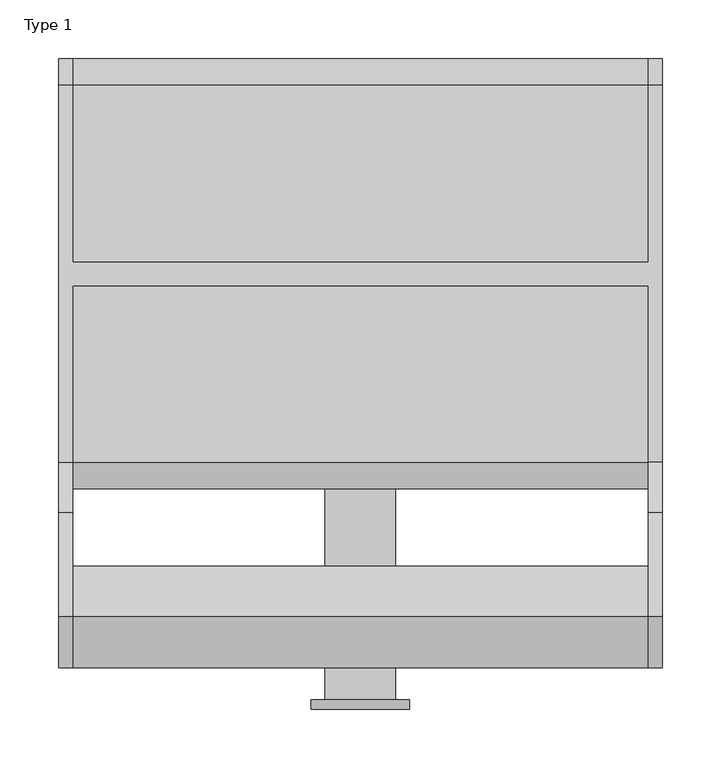
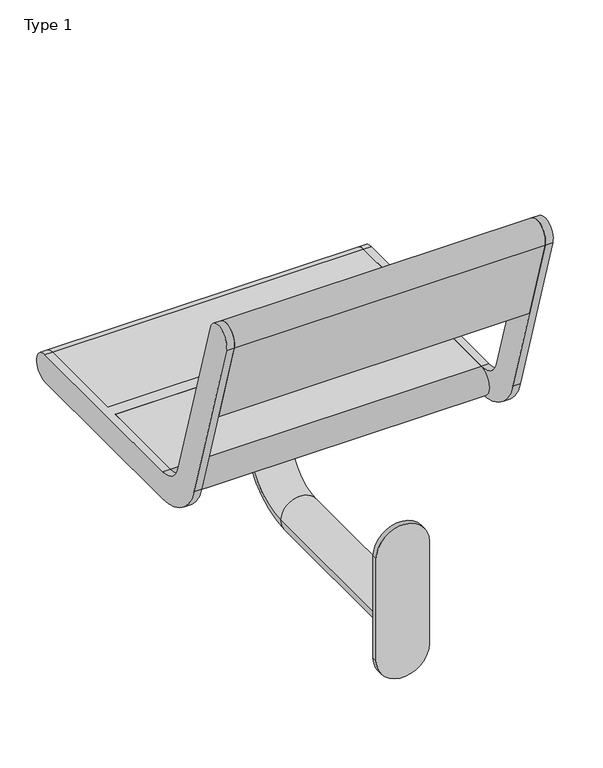
"""IFC4 building model written with IfcOpenShell, lengths in millimetres: furniture geometry, Type 1."""

from ifc_helpers import new_model, si_unit, point, frame, frame_2d, origin, place, context, project, spatial, polyline, circle_curve, ellipse_curve, trimmed, segment, composite_curve, outline, extrude, source, transform, mapped, element, save
from ifc_brep_helpers import plane_surface, cylinder_surface, revolved_surface, advanced_brep


def type_1_19bbdee6(model_context):
    return source(origin(), model_context, "Body", "SolidModel", [
        advanced_brep(
        [(370.0, 178.9624029, 769.6910048), (370.0, 266.966286, 481.8432733), (370.0, 310.0, 450.0), (370.0, 460.5, 450.0), (370.0, 460.5, 405.0), (370.0, 310.0, 405.0), (370.0, 223.932572, 468.6865466), (370.0, 135.9286888, 756.5342781), (370.0, 631.0, 450.0), (370.0, 631.0, 405.0), (370.0, 480.5, 405.0), (370.0, 480.5, 450.0), (382.0, 178.9624029, 769.6910048), (382.0, 135.9286888, 756.5342781), (382.0, 223.932572, 468.6865466), (382.0, 310.0, 405.0), (382.0, 631.0, 405.0), (382.0, 631.0, 450.0), (382.0, 310.0, 450.0), (382.0, 266.966286, 481.8432733), (-120.0, 480.5, 450.0), (-120.0, 631.0, 450.0), (-132.0, 631.0, 450.0), (-132.0, 310.0, 450.0), (-120.0, 310.0, 450.0), (-120.0, 460.5, 450.0), (-120.0, 460.5, 405.0), (-120.0, 310.0, 405.0), (-132.0, 310.0, 405.0), (-132.0, 631.0, 405.0), (-120.0, 631.0, 405.0), (-120.0, 480.5, 405.0), (-132.0, 178.9624029, 769.6910048), (-132.0, 266.966286, 481.8432733), (-132.0, 223.932572, 468.6865466), (-132.0, 135.9286888, 756.5342781), (-120.0, 178.9624029, 769.6910048), (-120.0, 135.9286888, 756.5342781), (-120.0, 223.932572, 468.6865466), (-120.0, 266.966286, 481.8432733)],
        [
            (0, 1),
            (1, 2, circle_curve(frame((370.0, 310.0, 495.0), z_axis=(1.0, 0.0, 0.0), x_axis=(0.0, 1.0, 0.0)), 45.0)),
            (2, 3),
            (3, 4),
            (4, 5),
            (5, 6, circle_curve(frame((370.0, 310.0, 495.0), z_axis=(-1.0, 0.0, 0.0), x_axis=(0.0, 1.0, 0.0)), 90.0)),
            (6, 7),
            (7, 0, circle_curve(frame((370.0, 157.4455459, 763.1126415), z_axis=(-1.0, 0.0, 0.0), x_axis=(0.0, 1.0, 0.0)), 22.5)),
            (8, 9, circle_curve(frame((370.0, 631.0, 427.5), z_axis=(-1.0, 0.0, 0.0), x_axis=(0.0, 1.0, 0.0)), 22.5)),
            (9, 10),
            (10, 11),
            (11, 8),
            (12, 13, circle_curve(frame((382.0, 157.4455459, 763.1126415), z_axis=(1.0, 0.0, 0.0), x_axis=(0.0, 1.0, 0.0)), 22.5)),
            (13, 14),
            (14, 15, circle_curve(frame((382.0, 310.0, 495.0), z_axis=(1.0, 0.0, 0.0), x_axis=(0.0, 1.0, 0.0)), 90.0)),
            (15, 16),
            (16, 17, circle_curve(frame((382.0, 631.0, 427.5), z_axis=(1.0, 0.0, 0.0), x_axis=(0.0, 1.0, 0.0)), 22.5)),
            (17, 18),
            (18, 19, circle_curve(frame((382.0, 310.0, 495.0), z_axis=(-1.0, 0.0, 0.0), x_axis=(0.0, 1.0, 0.0)), 45.0)),
            (19, 12),
            (0, 12),
            (19, 1),
            (18, 2),
            (17, 8),
            (11, 20),
            (20, 21),
            (21, 22),
            (22, 23),
            (23, 24),
            (24, 25),
            (25, 3),
            (15, 5),
            (4, 26),
            (26, 27),
            (27, 28),
            (28, 29),
            (29, 30),
            (30, 31),
            (31, 10),
            (9, 16),
            (14, 6),
            (13, 7),
            (31, 20),
            (25, 26),
            (32, 33),
            (33, 23, circle_curve(frame((-132.0, 310.0, 495.0), z_axis=(1.0, 0.0, 0.0), x_axis=(0.0, 1.0, 0.0)), 45.0)),
            (22, 29, circle_curve(frame((-132.0, 631.0, 427.5), z_axis=(-1.0, 0.0, 0.0), x_axis=(0.0, 1.0, 0.0)), 22.5)),
            (28, 34, circle_curve(frame((-132.0, 310.0, 495.0), z_axis=(-1.0, 0.0, 0.0), x_axis=(0.0, 1.0, 0.0)), 90.0)),
            (34, 35),
            (35, 32, circle_curve(frame((-132.0, 157.4455459, 763.1126415), z_axis=(-1.0, 0.0, 0.0), x_axis=(0.0, 1.0, 0.0)), 22.5)),
            (36, 37, circle_curve(frame((-120.0, 157.4455459, 763.1126415), z_axis=(1.0, 0.0, 0.0), x_axis=(0.0, 1.0, 0.0)), 22.5)),
            (37, 38),
            (38, 27, circle_curve(frame((-120.0, 310.0, 495.0), z_axis=(1.0, 0.0, 0.0), x_axis=(0.0, 1.0, 0.0)), 90.0)),
            (24, 39, circle_curve(frame((-120.0, 310.0, 495.0), z_axis=(-1.0, 0.0, 0.0), x_axis=(0.0, 1.0, 0.0)), 45.0)),
            (39, 36),
            (30, 21, circle_curve(frame((-120.0, 631.0, 427.5), z_axis=(1.0, 0.0, 0.0), x_axis=(0.0, 1.0, 0.0)), 22.5)),
            (32, 36),
            (39, 33),
            (38, 34),
            (37, 35),
        ],
        [
            plane_surface(frame((370.0, 266.966286, 481.8432733), z_axis=(-1.0000000000000002, 0.0, 0.0), x_axis=(0.0, 0.29237170472273394, -0.9563047559630364))),
            plane_surface(frame((382.0, 266.966286, 481.8432733), z_axis=(1.0000000000000002, 0.0, 0.0), x_axis=(0.0, -0.29237170472273394, 0.9563047559630364))),
            plane_surface(frame((370.0, 178.9624029, 769.6910048), z_axis=(0.0, 0.9563047559630364, 0.29237170472273394), x_axis=(1.0, 0.0, 0.0))),
            revolved_surface(polyline([(382.0, 355.0, 495.0), (370.0, 355.0, 495.0)]), (382.0, 310.0, 495.0), (1.0, 0.0, 0.0)),
            plane_surface(frame((370.0, 310.0, 450.0), z_axis=(0.0, 0.0, 1.0), x_axis=(1.0, 0.0, 0.0))),
            plane_surface(frame((370.0, 631.0, 405.0), z_axis=(0.0, 0.0, -1.0), x_axis=(1.0, 0.0, 0.0))),
            cylinder_surface(frame((382.0, 310.0, 495.0), z_axis=(-1.0, 0.0, 0.0), x_axis=(0.0, 1.0, 0.0)), 90.0),
            plane_surface(frame((370.0, 223.932572, 468.6865466), z_axis=(0.0, -0.9563047559630364, -0.29237170472273366), x_axis=(1.0, 0.0, 0.0))),
            cylinder_surface(frame((382.0, 157.4455459, 763.1126415), z_axis=(-1.0, 0.0, 0.0), x_axis=(0.0, 1.0, 0.0)), 22.5),
            cylinder_surface(frame((382.0, 631.0, 427.5), z_axis=(-1.0, 0.0, 0.0), x_axis=(0.0, 1.0, 0.0)), 22.5),
            plane_surface(frame((-120.0, 480.5, 450.0), z_axis=(0.0, 1.0, 0.0), x_axis=(1.0, 0.0, 0.0))),
            plane_surface(frame((-120.0, 460.5, 405.0), z_axis=(0.0, -1.0, 0.0), x_axis=(1.0, 0.0, 0.0))),
            plane_surface(frame((-132.0, 266.966286, 481.8432733), z_axis=(-1.0000000000000002, 0.0, 0.0), x_axis=(0.0, 0.29237170472273394, -0.9563047559630364))),
            plane_surface(frame((-120.0, 266.966286, 481.8432733), z_axis=(1.0000000000000002, 0.0, 0.0), x_axis=(0.0, -0.29237170472273394, 0.9563047559630364))),
            plane_surface(frame((-132.0, 178.9624029, 769.6910048), z_axis=(0.0, 0.9563047559630364, 0.29237170472273394), x_axis=(1.0, 0.0, 0.0))),
            revolved_surface(polyline([(-120.0, 355.0, 495.0), (-132.0, 355.0, 495.0)]), (-120.0, 310.0, 495.0), (1.0, 0.0, 0.0)),
            cylinder_surface(frame((-120.0, 310.0, 495.0), z_axis=(-1.0, 0.0, 0.0), x_axis=(0.0, 1.0, 0.0)), 90.0),
            plane_surface(frame((-132.0, 223.932572, 468.6865466), z_axis=(0.0, -0.9563047559630364, -0.29237170472273366), x_axis=(1.0, 0.0, 0.0))),
            cylinder_surface(frame((-120.0, 157.4455459, 763.1126415), z_axis=(-1.0, 0.0, 0.0), x_axis=(0.0, 1.0, 0.0)), 22.5),
            cylinder_surface(frame((-120.0, 631.0, 427.5), z_axis=(-1.0, 0.0, 0.0), x_axis=(0.0, 1.0, 0.0)), 22.5),
        ],
        [
            (0, [[1, 2, 3, 4, 5, 6, 7, 8]]),
            (0, [[9, 10, 11, 12]]),
            (1, [[13, 14, 15, 16, 17, 18, 19, 20]]),
            (2, [[-1, 21, -20, 22]]),
            (3, [[-2, -22, -19, 23]]),
            (4, [[-18, 24, -12, 25, 26, 27, 28, 29, 30, 31, -3, -23]]),
            (5, [[-16, 32, -5, 33, 34, 35, 36, 37, 38, 39, -10, 40]]),
            (6, [[-6, -32, -15, 41]]),
            (7, [[-7, -41, -14, 42]]),
            (8, [[-8, -42, -13, -21]]),
            (9, [[-9, -24, -17, -40]]),
            (10, [[-25, -11, -39, 43]]),
            (11, [[-31, 44, -33, -4]]),
            (12, [[45, 46, -28, 47, -36, 48, 49, 50]]),
            (13, [[51, 52, 53, -34, -44, -30, 54, 55]]),
            (13, [[56, -26, -43, -38]]),
            (14, [[-45, 57, -55, 58]]),
            (15, [[-46, -58, -54, -29]]),
            (16, [[-48, -35, -53, 59]]),
            (17, [[-49, -59, -52, 60]]),
            (18, [[-50, -60, -51, -57]]),
            (19, [[-47, -27, -56, -37]]),
        ],
    ),
        extrude(outline(composite_curve([segment(polyline([(178.9624029, 769.6910048), (221.5024859, 630.5486628), (178.4687719, 617.3919361), (135.9286888, 756.5342781)]), True, "CONTINUOUS"), segment(trimmed(circle_curve(frame_2d((157.4455459, 763.1126415)), 22.5), [point((135.9286888, 756.5342781))], [point((178.9624029, 769.6910048))], False, "CARTESIAN"), True, "CONTINUOUS")], self_intersect=False)), frame((-120.0, 0.0, 0.0), z_axis=(1.0, 0.0, 0.0), x_axis=(0.0, 1.0, 0.0)), (0.0, 0.0, 1.0), 490.0),
        extrude(outline(composite_curve([segment(polyline([(460.5, 405.0), (310.0, 405.0)]), True, "CONTINUOUS"), segment(trimmed(circle_curve(frame_2d((310.0, 427.5)), 22.5), [point((310.0, 405.0))], [point((310.0, 450.0))], False, "CARTESIAN"), True, "CONTINUOUS"), segment(polyline([(310.0, 450.0), (460.5, 450.0), (460.5, 405.0)]), True, "CONTINUOUS")], self_intersect=False)), frame((-120.0, 0.0, 0.0), z_axis=(1.0, 0.0, 0.0), x_axis=(0.0, 1.0, 0.0)), (0.0, 0.0, 1.0), 490.0),
        extrude(outline(composite_curve([segment(polyline([(480.5, 405.0), (480.5, 450.0), (631.0, 450.0)]), True, "CONTINUOUS"), segment(trimmed(circle_curve(frame_2d((631.0, 427.5)), 22.5), [point((631.0, 450.0))], [point((631.0, 405.0))], False, "CARTESIAN"), True, "CONTINUOUS"), segment(polyline([(631.0, 405.0), (480.5, 405.0)]), True, "CONTINUOUS")], self_intersect=False)), frame((-120.0, 0.0, 0.0), z_axis=(1.0, 0.0, 0.0), x_axis=(0.0, 1.0, 0.0)), (0.0, 0.0, 1.0), 490.0),
        extrude(outline(composite_curve([segment(trimmed(circle_curve(frame_2d((357.0801223, 125.0)), 41.9108501), [point((357.0801223, 166.9108501))], [point((357.0801223, 83.0891499))], False, "CARTESIAN"), True, "CONTINUOUS"), segment(polyline([(357.0801223, 83.0891499), (187.0801223, 83.0891499)]), True, "CONTINUOUS"), segment(trimmed(circle_curve(frame_2d((187.0801223, 125.0)), 41.9108501), [point((187.0801223, 83.0891499))], [point((187.0801223, 166.9108501))], False, "CARTESIAN"), True, "CONTINUOUS"), segment(polyline([(187.0801223, 166.9108501), (357.0801223, 166.9108501)]), True, "CONTINUOUS")], self_intersect=False)), frame((0.0, 100.0, 0.0), z_axis=(0.0, 1.0, 0.0), x_axis=(0.0, 0.0, 1.0)), (0.0, 0.0, 1.0), 8.0),
        advanced_brep(
        [(50.0, 595.0, 405.0), (50.0, 595.0, 389.0), (50.0, 345.0, 389.0), (50.0, 345.0, 405.0), (200.0, 595.0, 405.0), (200.0, 345.0, 405.0), (200.0, 345.0, 389.0), (200.0, 595.0, 389.0), (155.0, 470.0, 389.0), (95.0, 470.0, 389.0), (95.0, 108.0, 246.9999952), (155.0, 108.0, 246.9999952), (95.0, 379.9999981, 246.9999952), (155.0, 379.9999981, 246.9999952), (95.0, 470.0, 336.9999971), (155.0, 470.0, 336.9999971)],
        [
            (0, 1),
            (1, 2),
            (2, 3),
            (3, 0),
            (4, 5),
            (5, 6),
            (6, 7),
            (7, 4),
            (0, 4),
            (7, 1),
            (6, 2),
            (8, 9, circle_curve(frame((125.0, 470.0, 389.0), z_axis=(0.0, 0.0, 1.0), x_axis=(1.0, 0.0, 0.0)), 30.0)),
            (9, 8, circle_curve(frame((125.0, 470.0, 389.0), z_axis=(0.0, 0.0, 1.0), x_axis=(1.0, 0.0, 0.0)), 30.0)),
            (5, 3),
            (10, 11, circle_curve(frame((125.0, 108.0, 246.9999952), z_axis=(0.0, -1.0, 0.0), x_axis=(1.0, 0.0, 0.0)), 30.0)),
            (11, 10, circle_curve(frame((125.0, 108.0, 246.9999952), z_axis=(0.0, -1.0, 0.0), x_axis=(1.0, 0.0, 0.0)), 30.0)),
            (10, 12),
            (12, 13, circle_curve(frame((125.0, 379.9999981, 246.9999952), z_axis=(0.0, -1.0, 0.0), x_axis=(1.0, 0.0, 0.0)), 30.0)),
            (13, 11),
            (13, 12, circle_curve(frame((125.0, 379.9999981, 246.9999952), z_axis=(0.0, -1.0, 0.0), x_axis=(1.0, 0.0, 0.0)), 30.0)),
            (12, 14, circle_curve(frame((95.0, 379.9999981, 336.9999971), z_axis=(1.0, 0.0, 0.0), x_axis=(0.0, 0.0, -1.0)), 90.0000019)),
            (14, 15, circle_curve(frame((125.0, 470.0, 336.9999971), z_axis=(0.0, 0.0, -1.0), x_axis=(1.0, 0.0, 0.0)), 30.0)),
            (15, 13, circle_curve(frame((155.0, 379.9999981, 336.9999971), z_axis=(-1.0, 0.0, 0.0), x_axis=(0.0, 0.0, -1.0)), 90.0000019)),
            (15, 14, circle_curve(frame((125.0, 470.0, 336.9999971), z_axis=(0.0, 0.0, -1.0), x_axis=(1.0, 0.0, 0.0)), 30.0)),
            (14, 9),
            (8, 15),
        ],
        [
            plane_surface(frame((50.0, 595.0, 405.0), z_axis=(-1.0, 0.0, 0.0), x_axis=(0.0, 0.0, -1.0))),
            plane_surface(frame((200.0, 595.0, 405.0), z_axis=(1.0, 0.0, 0.0), x_axis=(0.0, 0.0, 1.0))),
            plane_surface(frame((50.0, 595.0, 405.0), z_axis=(0.0, 1.0, 0.0), x_axis=(1.0, 0.0, 0.0))),
            plane_surface(frame((50.0, 595.0, 389.0), z_axis=(0.0, 0.0, -1.0), x_axis=(1.0, 0.0, 0.0))),
            plane_surface(frame((50.0, 345.0, 389.0), z_axis=(0.0, -1.0, 0.0), x_axis=(1.0, 0.0, 0.0))),
            plane_surface(frame((50.0, 345.0, 405.0), z_axis=(0.0, 0.0, 1.0), x_axis=(1.0, 0.0, 0.0))),
            plane_surface(frame((125.0, 108.0, 246.9999952), z_axis=(0.0, -1.0, 0.0), x_axis=(-1.0, 0.0, 0.0))),
            cylinder_surface(frame((125.0, 108.0, 246.9999952), z_axis=(0.0, -1.0, 0.0), x_axis=(1.0, 0.0, 0.0)), 30.0),
            revolved_surface(trimmed(ellipse_curve(frame((125.0, 379.9999981, 246.9999952), z_axis=(0.0, -1.0, 0.0), x_axis=(1.0, 0.0, 0.0)), 30.0, 30.0), [point((95.0, 379.9999981, 246.9999952))], [point((155.0, 379.9999981, 246.9999952))], True, "CARTESIAN"), (125.0, 379.9999981, 336.9999971), (1.0, 0.0, 0.0)),
            revolved_surface(trimmed(ellipse_curve(frame((125.0, 379.9999981, 246.9999952), z_axis=(0.0, -1.0, 0.0), x_axis=(1.0, 0.0, 0.0)), 30.0, 30.0), [point((155.0, 379.9999981, 246.9999952))], [point((95.0, 379.9999981, 246.9999952))], True, "CARTESIAN"), (125.0, 379.9999981, 336.9999971), (1.0, 0.0, 0.0)),
            cylinder_surface(frame((125.0, 470.0, 336.9999971), z_axis=(0.0, 0.0, -1.0), x_axis=(1.0, 0.0, 0.0)), 30.0),
        ],
        [
            (0, [[1, 2, 3, 4]]),
            (1, [[5, 6, 7, 8]]),
            (2, [[-1, 9, -8, 10]]),
            (3, [[-2, -10, -7, 11], [12, 13]]),
            (4, [[-3, -11, -6, 14]]),
            (5, [[-4, -14, -5, -9]]),
            (6, [[15, 16]]),
            (7, [[-15, 17, 18, 19]]),
            (7, [[-16, -19, 20, -17]]),
            (8, [[-18, 21, 22, 23]]),
            (9, [[-20, -23, 24, -21]]),
            (10, [[-22, 25, -12, 26]]),
            (10, [[-24, -26, -13, -25]]),
        ],
    ),
    ])


if __name__ == "__main__":
    model = new_model("IFC4")
    model_context = context("Model", 3, world=origin())
    ifc_project = project(units=[si_unit("LENGTHUNIT", "METRE", prefix="MILLI")], contexts=[model_context])
    site = spatial("IfcSite", under=ifc_project)
    building = spatial("IfcBuilding", under=site)
    placement = place(None, origin())
    type_1_shape = type_1_19bbdee6(model_context)
    element("IfcFurniture", 1, ObjectType="Type 1", at=placement, inside=building, context=model_context, shape_type="MappedRepresentation", body=[
        mapped(type_1_shape, transform((0.0, 0.0, 0.0), x_axis=(1.0, 0.0, 0.0), y_axis=(0.0, 1.0, 0.0), z_axis=(0.0, 0.0, 1.0))),
    ])
    save(model, "model.ifc")
